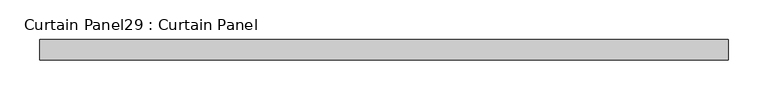
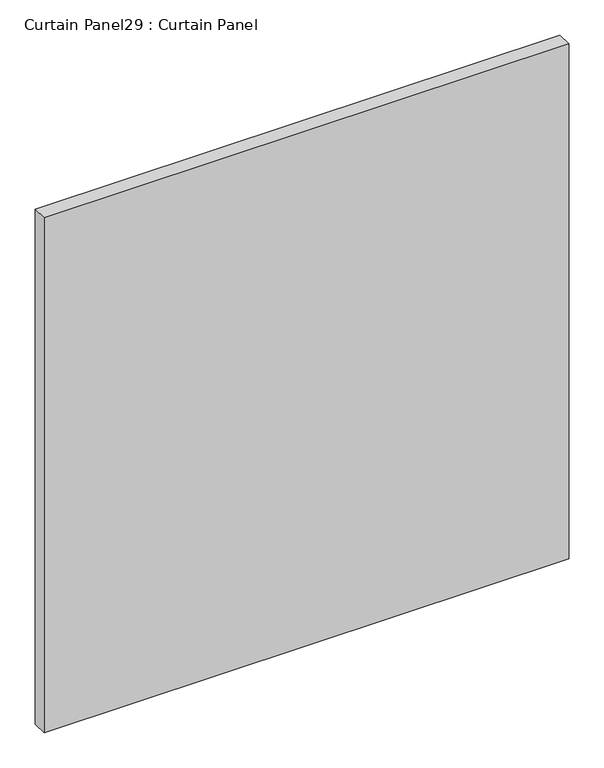
"""IFC4 building model written with IfcOpenShell, lengths in millimetres: plate geometry, Curtain Panel29 : Curtain Panel."""

from ifc_helpers import new_model, si_unit, frame, origin, place, context, project, spatial, polyline, outline, extrude, source, transform, mapped, element, save


def curtain_panel29_curtain_panel_c2a29caa(model_context):
    return source(origin(), model_context, "Body", "SweptSolid", [
        extrude(outline(polyline([(40363.7172436, 2225.3654634), (39499.8037234, 2225.3654634), (39499.8037234, 2250.7654634), (40363.7172436, 2250.7654634), (40363.7172436, 2225.3654634)])), frame((0.0, 0.0, 297.6568127), z_axis=(0.0, 0.0, 1.0), x_axis=(1.0, 0.0, 0.0)), (0.0, 0.0, 1.0), 895.7806701),
    ])


if __name__ == "__main__":
    model = new_model("IFC4")
    model_context = context("Model", 3, world=origin())
    ifc_project = project(units=[si_unit("LENGTHUNIT", "METRE", prefix="MILLI")], contexts=[model_context])
    site = spatial("IfcSite", under=ifc_project)
    building = spatial("IfcBuilding", under=site)
    placement = place(None, origin())
    curtain_panel29_curtain_panel_shape = curtain_panel29_curtain_panel_c2a29caa(model_context)
    element("IfcPlate", 1, ObjectType="Curtain Panel29 : Curtain Panel", at=placement, inside=building, context=model_context, shape_type="MappedRepresentation", body=[
        mapped(curtain_panel29_curtain_panel_shape, transform((0.0, 0.0, 0.0), x_axis=(1.0, 0.0, 0.0), y_axis=(0.0, 1.0, 0.0), z_axis=(0.0, 0.0, 1.0))),
    ])
    save(model, "model.ifc")
